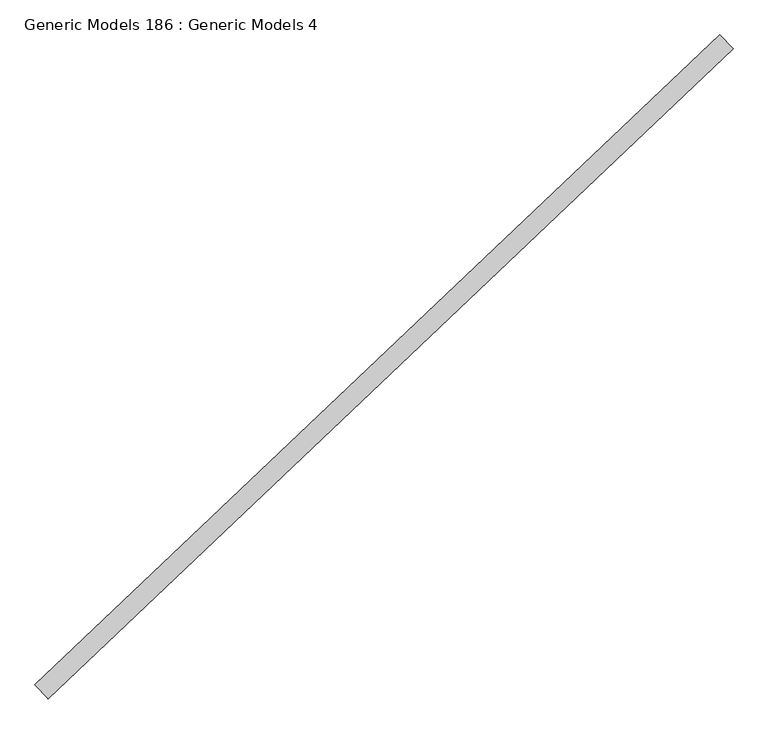
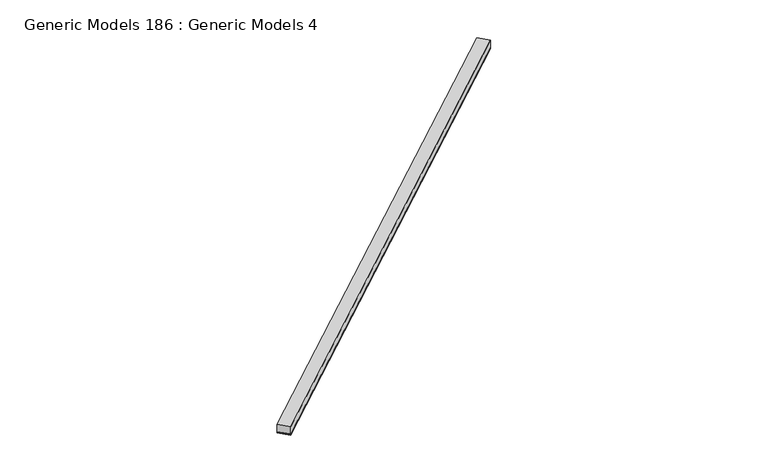
"""IFC4 building model written with IfcOpenShell, lengths in millimetres: proxy geometry, Generic Models 186 : Generic Models 4."""

from ifc_helpers import new_model, si_unit, point, frame, frame_2d, origin, place, context, project, spatial, polyline, circle_curve, trimmed, segment, composite_curve, outline, extrude, source, transform, mapped, element, save


def generic_models_186_generic_models_4_3cf31944(model_context):
    return source(origin(), model_context, "Body", "SweptSolid", [
        extrude(outline(composite_curve([segment(polyline([(92.075, -9.128125), (0.0, -9.128125)]), True, "CONTINUOUS"), segment(trimmed(circle_curve(frame_2d((-4.4149557, -4.5640625)), 6.35), [point((0.0, -9.128125))], [point((0.0, 0.0))], True, "CARTESIAN"), True, "CONTINUOUS"), segment(polyline([(0.0, 0.0), (92.075, 0.0)]), True, "CONTINUOUS"), segment(trimmed(circle_curve(frame_2d((96.4899556, -4.5640625)), 6.35), [point((92.075, 0.0))], [point((92.075, -9.128125))], True, "CARTESIAN"), True, "CONTINUOUS")], self_intersect=False)), frame((99763.4645275, 57298.7606646, 17567.8628084), z_axis=(0.7253743710123147, 0.6883545756937256, 0.0), x_axis=(0.6883545756937256, -0.7253743710123147, 0.0)), (0.0, 0.0, 1.0), 4530.725),
        extrude(outline(polyline([(99826.844775, 57231.9718194), (99763.4645275, 57298.7606646), (103049.9363246, 60417.5059496), (103113.3165721, 60350.7171044), (99826.844775, 57231.9718194)])), frame((0.0, 0.0, 17577.3878084), z_axis=(0.0, 0.0, 1.0), x_axis=(1.0, 0.0, 0.0)), (0.0, 0.0, 1.0), 57.15),
    ])


if __name__ == "__main__":
    model = new_model("IFC4")
    model_context = context("Model", 3, world=origin())
    ifc_project = project(units=[si_unit("LENGTHUNIT", "METRE", prefix="MILLI")], contexts=[model_context])
    site = spatial("IfcSite", under=ifc_project)
    building = spatial("IfcBuilding", under=site)
    placement = place(None, origin())
    generic_models_186_generic_models_4_shape = generic_models_186_generic_models_4_3cf31944(model_context)
    element("IfcBuildingElementProxy", 1, Name="Generic Models 186 : Generic Models 4", ObjectType="Generic Models 186 : Generic Models 4", at=placement, inside=building, context=model_context, shape_type="MappedRepresentation", body=[
        mapped(generic_models_186_generic_models_4_shape, transform((0.0, 0.0, 0.0), x_axis=(1.0, 0.0, 0.0), y_axis=(0.0, 1.0, 0.0), z_axis=(0.0, 0.0, 1.0))),
    ])
    save(model, "model.ifc")
